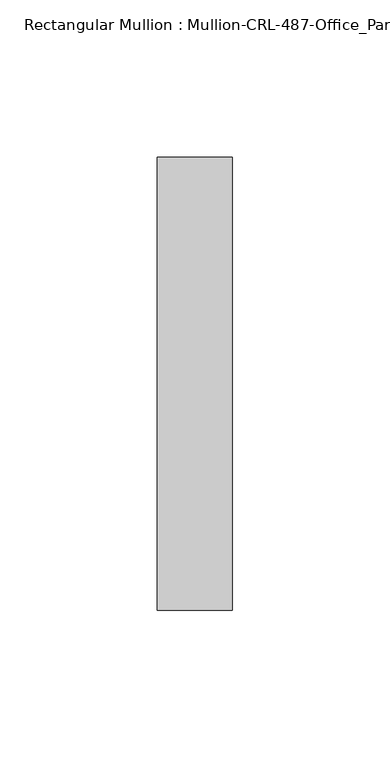
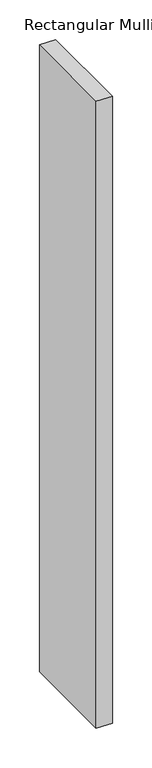
"""IFC4 building model written with IfcOpenShell, lengths in millimetres: member geometry, Rectangular Mullion : Mullion-CRL-487-Office_Partition-Cased."""

from ifc_helpers import new_model, si_unit, frame, origin, place, context, project, spatial, polyline, outline, extrude, source, transform, mapped, element, save


def rectangular_mullion_mullion_crl_487_office_partition_cased_7d0fc8c9(model_context):
    return source(origin(), model_context, "Body", "SweptSolid", [
        extrude(outline(polyline([(0.0, -71.9452143), (-23.7998, -71.9452143), (-23.7998, 71.9452142), (0.0, 71.9452142), (0.0, -71.9452143)])), frame((0.0, 0.0, -968.4004), z_axis=(0.0, 0.0, 1.0), x_axis=(1.0, 0.0, 0.0)), (0.0, 0.0, 1.0), 968.4004),
    ])


if __name__ == "__main__":
    model = new_model("IFC4")
    model_context = context("Model", 3, world=origin())
    ifc_project = project(units=[si_unit("LENGTHUNIT", "METRE", prefix="MILLI")], contexts=[model_context])
    site = spatial("IfcSite", under=ifc_project)
    building = spatial("IfcBuilding", under=site)
    placement = place(None, origin())
    rectangular_mullion_mullion_crl_487_office_partition_cased_shape = rectangular_mullion_mullion_crl_487_office_partition_cased_7d0fc8c9(model_context)
    element("IfcMember", 1, ObjectType="Rectangular Mullion : Mullion-CRL-487-Office_Partition-Cased", at=placement, inside=building, context=model_context, shape_type="MappedRepresentation", body=[
        mapped(rectangular_mullion_mullion_crl_487_office_partition_cased_shape, transform((0.0, 0.0, 0.0), x_axis=(1.0, 0.0, 0.0), y_axis=(0.0, 1.0, 0.0), z_axis=(0.0, 0.0, 1.0))),
    ])
    save(model, "model.ifc")
